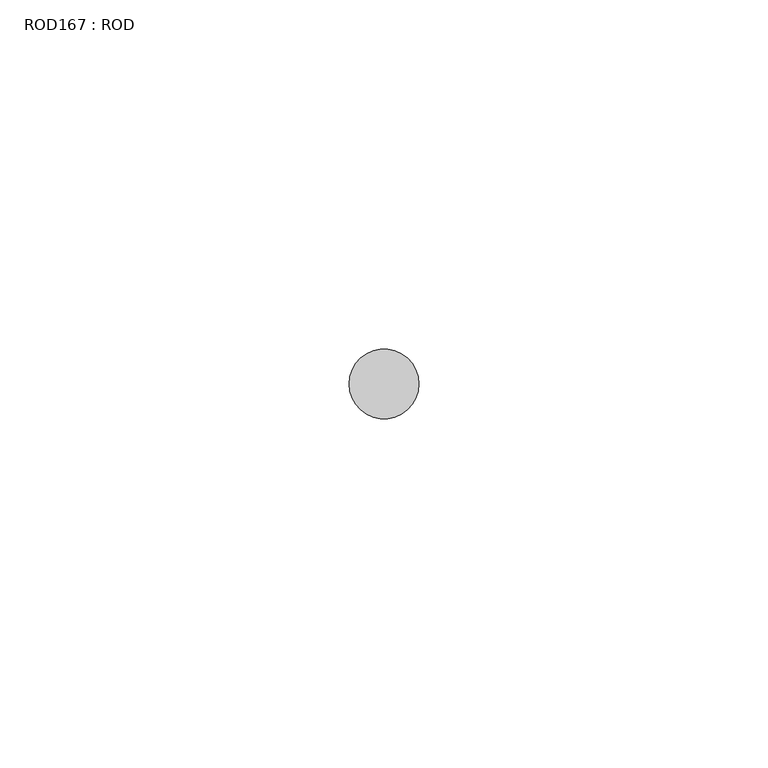
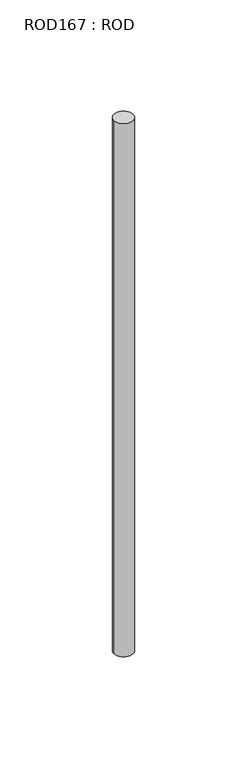
"""IFC4 building model written with IfcOpenShell, lengths in millimetres: proxy geometry, ROD167 : ROD."""

from ifc_helpers import new_model, si_unit, point, frame, frame_2d, origin, place, context, project, spatial, circle_curve, trimmed, segment, composite_curve, outline, extrude, source, transform, mapped, element, save


def rod167_rod_50ba593d(model_context):
    return source(origin(), model_context, "Body", "SweptSolid", [
        extrude(outline(composite_curve([segment(trimmed(circle_curve(frame_2d((-3200.2326676, -25842.0031575)), 5.0), [point((-3205.2326676, -25842.0031575))], [point((-3195.2326676, -25842.0031575))], False, "CARTESIAN"), True, "CONTINUOUS"), segment(trimmed(circle_curve(frame_2d((-3200.2326676, -25842.0031575)), 5.0), [point((-3195.2326676, -25842.0031575))], [point((-3205.2326676, -25842.0031575))], False, "CARTESIAN"), True, "CONTINUOUS")], self_intersect=False)), frame((0.0, 0.0, 166.3391155), z_axis=(0.0, 0.0, 1.0), x_axis=(1.0, 0.0, 0.0)), (0.0, 0.0, 1.0), 298.9028972),
    ])


if __name__ == "__main__":
    model = new_model("IFC4")
    model_context = context("Model", 3, world=origin())
    ifc_project = project(units=[si_unit("LENGTHUNIT", "METRE", prefix="MILLI")], contexts=[model_context])
    site = spatial("IfcSite", under=ifc_project)
    building = spatial("IfcBuilding", under=site)
    placement = place(None, origin())
    rod167_rod_shape = rod167_rod_50ba593d(model_context)
    element("IfcBuildingElementProxy", 1, Name="ROD167 : ROD", ObjectType="ROD167 : ROD", at=placement, inside=building, context=model_context, shape_type="MappedRepresentation", body=[
        mapped(rod167_rod_shape, transform((0.0, 0.0, 0.0), x_axis=(1.0, 0.0, 0.0), y_axis=(0.0, 1.0, 0.0), z_axis=(0.0, 0.0, 1.0))),
    ])
    save(model, "model.ifc")
